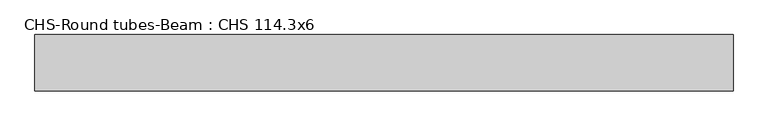
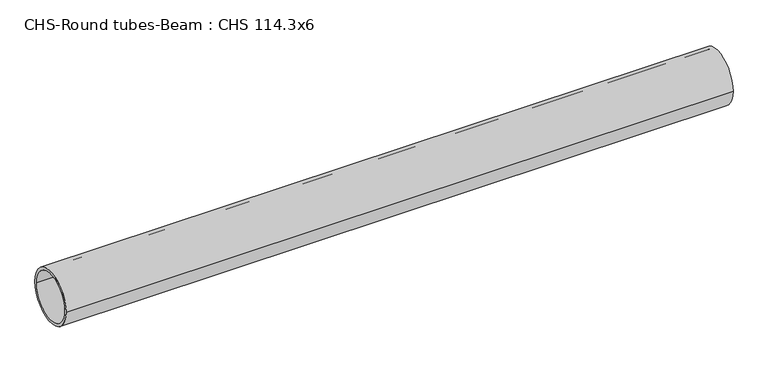
"""IFC4 building model written with IfcOpenShell, lengths in millimetres: beam geometry, CHS-Round tubes-Beam : CHS 114.3x6."""

from ifc_helpers import new_model, si_unit, point, frame, origin, origin_2d, place, context, project, spatial, circle_curve, trimmed, segment, composite_curve, outline, extrude, source, transform, mapped, element, save


def chs_round_tubes_beam_chs_114_3x6_0fcde81c(model_context):
    return source(origin(), model_context, "Body", "SweptSolid", [
        extrude(outline(composite_curve([segment(trimmed(circle_curve(origin_2d(), 57.15), [point((57.15, 0.0))], [point((-57.15, 0.0))], False, "CARTESIAN"), True, "CONTINUOUS"), segment(trimmed(circle_curve(origin_2d(), 57.15), [point((-57.15, 0.0))], [point((57.15, 0.0))], False, "CARTESIAN"), True, "CONTINUOUS")], self_intersect=False), holes=[composite_curve([segment(trimmed(circle_curve(origin_2d(), 51.15), [point((51.15, 0.0))], [point((-51.15, 0.0))], True, "CARTESIAN"), True, "CONTINUOUS"), segment(trimmed(circle_curve(origin_2d(), 51.15), [point((-51.15, 0.0))], [point((51.15, 0.0))], True, "CARTESIAN"), True, "CONTINUOUS")], self_intersect=False)]), frame((-778.3249097, 0.0, 0.0), z_axis=(1.0, 0.0, 0.0), x_axis=(0.0, 1.0, 0.0)), (0.0, 0.0, 1.0), 1412.1108049),
    ])


if __name__ == "__main__":
    model = new_model("IFC4")
    model_context = context("Model", 3, world=origin())
    ifc_project = project(units=[si_unit("LENGTHUNIT", "METRE", prefix="MILLI")], contexts=[model_context])
    site = spatial("IfcSite", under=ifc_project)
    building = spatial("IfcBuilding", under=site)
    placement = place(None, origin())
    chs_round_tubes_beam_chs_114_3x6_shape = chs_round_tubes_beam_chs_114_3x6_0fcde81c(model_context)
    element("IfcBeam", 1, ObjectType="CHS-Round tubes-Beam : CHS 114.3x6", at=placement, inside=building, context=model_context, shape_type="MappedRepresentation", body=[
        mapped(chs_round_tubes_beam_chs_114_3x6_shape, transform((0.0, 0.0, 0.0), x_axis=(1.0, 0.0, 0.0), y_axis=(0.0, 1.0, 0.0), z_axis=(0.0, 0.0, 1.0))),
    ])
    save(model, "model.ifc")
